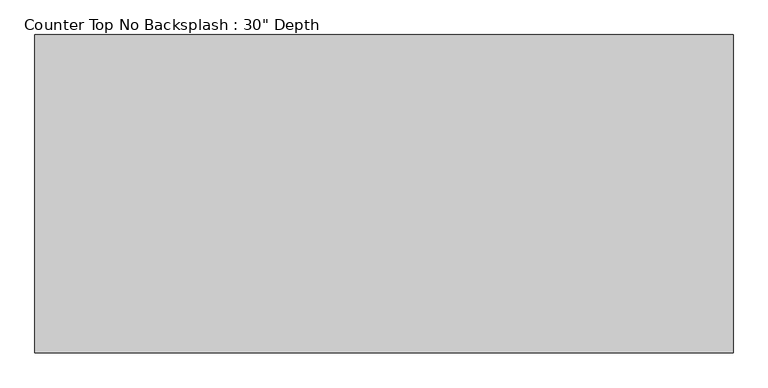
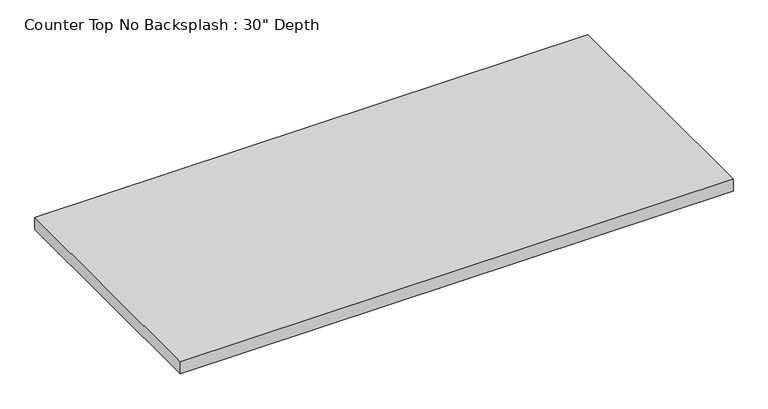
"""IFC4 building model written with IfcOpenShell, lengths in millimetres: furniture geometry."""

from ifc_helpers import new_model, si_unit, frame, origin, place, context, project, spatial, polyline, outline, extrude, source, transform, mapped, element, save


def furniture_732684e0(model_context):
    return source(origin(), model_context, "Body", "SweptSolid", [
        extrude(outline(polyline([(470.6821369, 0.0), (470.6821369, -762.0), (-1200.4622951, -762.0), (-1200.4622951, 0.0), (470.6821369, 0.0)])), frame((0.0, 0.0, 876.3), z_axis=(0.0, 0.0, 1.0), x_axis=(1.0, 0.0, 0.0)), (0.0, 0.0, 1.0), 38.1),
    ])


if __name__ == "__main__":
    model = new_model("IFC4")
    model_context = context("Model", 3, world=origin())
    ifc_project = project(units=[si_unit("LENGTHUNIT", "METRE", prefix="MILLI")], contexts=[model_context])
    site = spatial("IfcSite", under=ifc_project)
    building = spatial("IfcBuilding", under=site)
    placement = place(None, origin())
    furniture_shape = furniture_732684e0(model_context)
    element("IfcFurniture", 1, ObjectType="Counter Top No Backsplash : 30\" Depth", at=placement, inside=building, context=model_context, shape_type="MappedRepresentation", body=[
        mapped(furniture_shape, transform((0.0, 0.0, 0.0), x_axis=(1.0, 0.0, 0.0), y_axis=(0.0, 1.0, 0.0), z_axis=(0.0, 0.0, 1.0))),
    ])
    save(model, "model.ifc")
